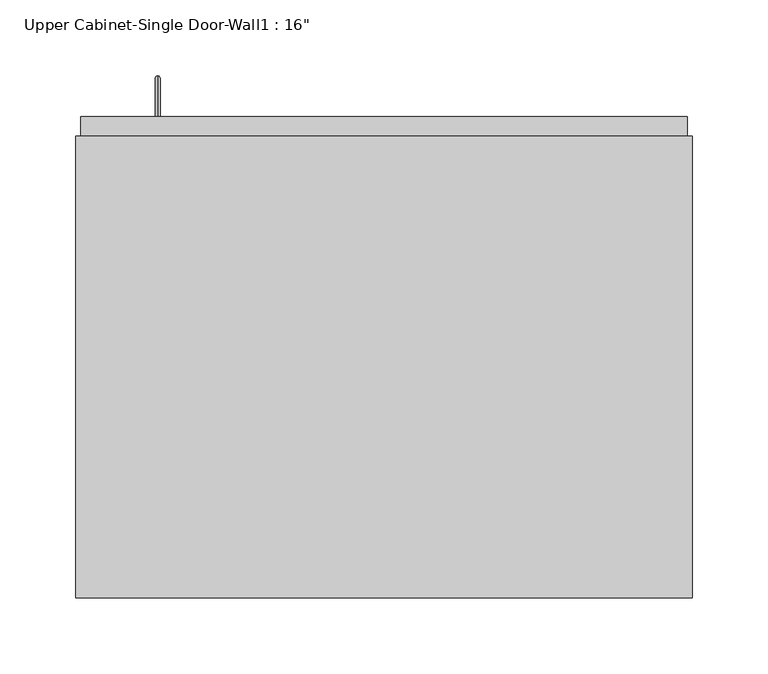
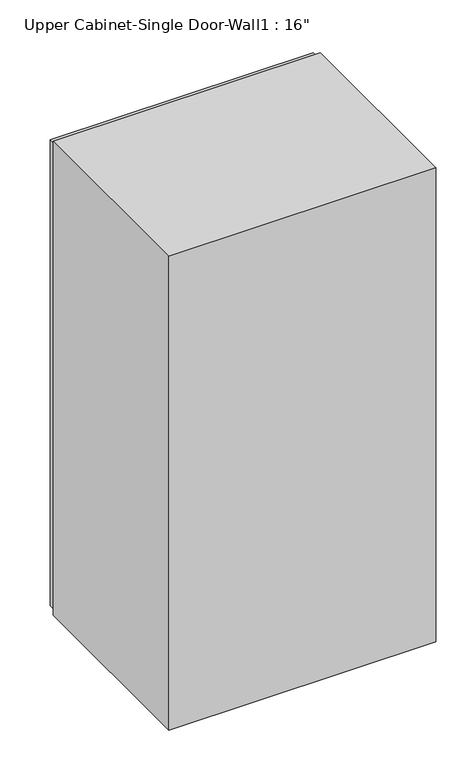
"""IFC4 building model written with IfcOpenShell, lengths in millimetres: furniture geometry."""

from ifc_helpers import new_model, si_unit, frame, origin, place, context, project, spatial, polyline, circle_curve, ellipse_curve, outline, extrude, faceted_brep, source, transform, mapped, element, save
from ifc_brep_helpers import plane_surface, cylinder_surface, advanced_brep


def furniture_f3350bb7(model_context):
    return source(origin(), model_context, "Body", "SolidModel", [
        advanced_brep(
        [(-119.4538372, 371.475, 1431.925), (-119.4538372, 371.475, 1428.75), (-119.4538372, 395.2875, 1431.925), (-119.4538372, 398.4625, 1428.75), (-119.4538372, 395.2875, 1603.375), (-119.4538372, 398.4625, 1606.55), (-119.4538372, 371.475, 1603.375), (-119.4538372, 371.475, 1606.55)],
        [
            (0, 1, circle_curve(frame((-119.4538372, 371.475, 1430.3375), z_axis=(0.0, -1.0, 0.0), x_axis=(0.0, 0.0, -1.0)), 1.5875)),
            (1, 0, circle_curve(frame((-119.4538372, 371.475, 1430.3375), z_axis=(0.0, -1.0, 0.0), x_axis=(0.0, 0.0, -1.0)), 1.5875)),
            (0, 2),
            (2, 3, ellipse_curve(frame((-119.4538372, 396.875, 1430.3375), z_axis=(0.0, -0.7071067811865498, -0.7071067811865454), x_axis=(0.0, -0.7071067811865451, 0.7071067811865498)), 2.245064, 1.5875)),
            (3, 1),
            (3, 2, ellipse_curve(frame((-119.4538372, 396.875, 1430.3375), z_axis=(0.0, -0.7071067811865498, -0.7071067811865454), x_axis=(0.0, -0.7071067811865451, 0.7071067811865498)), 2.245064, 1.5875)),
            (2, 4),
            (4, 5, ellipse_curve(frame((-119.4538372, 396.875, 1604.9625), z_axis=(0.0, 0.7071067811865452, -0.7071067811865497), x_axis=(0.0, -0.7071067811865496, -0.7071067811865455)), 2.245064, 1.5875)),
            (5, 3),
            (5, 4, ellipse_curve(frame((-119.4538372, 396.875, 1604.9625), z_axis=(0.0, 0.7071067811865452, -0.7071067811865497), x_axis=(0.0, -0.7071067811865496, -0.7071067811865455)), 2.245064, 1.5875)),
            (6, 7, circle_curve(frame((-119.4538372, 371.475, 1604.9625), z_axis=(0.0, -1.0, 0.0), x_axis=(0.0, 0.0, 1.0)), 1.5875)),
            (7, 6, circle_curve(frame((-119.4538372, 371.475, 1604.9625), z_axis=(0.0, -1.0, 0.0), x_axis=(0.0, 0.0, 1.0)), 1.5875)),
            (4, 6),
            (7, 5),
        ],
        [
            plane_surface(frame((-119.4538372, 371.475, 1430.3375), z_axis=(0.0, -1.0, 0.0), x_axis=(-1.0, 0.0, 0.0))),
            cylinder_surface(frame((-119.4538372, 371.475, 1430.3375), z_axis=(0.0, -1.0, 0.0), x_axis=(0.0, 0.0, -1.0)), 1.5875),
            cylinder_surface(frame((-119.4538372, 396.875, 1430.3375), z_axis=(0.0, 0.0, -1.0), x_axis=(0.0, 1.0, 0.0)), 1.5875),
            plane_surface(frame((-119.4538372, 371.475, 1604.9625), z_axis=(0.0, -1.0, 0.0), x_axis=(-1.0, 0.0, 0.0))),
            cylinder_surface(frame((-119.4538372, 396.875, 1604.9625), z_axis=(0.0, 1.0, 0.0), x_axis=(0.0, 0.0, 1.0)), 1.5875),
        ],
        [
            (0, [[1, 2]]),
            (1, [[-1, 3, 4, 5]]),
            (1, [[-2, -5, 6, -3]]),
            (2, [[-4, 7, 8, 9]]),
            (2, [[-6, -9, 10, -7]]),
            (3, [[11, 12]]),
            (4, [[-8, 13, -12, 14]]),
            (4, [[-10, -14, -11, -13]]),
        ],
    ),
        faceted_brep([(-173.4288372, 53.975, 2133.6), (-173.4288372, 53.975, 1371.6), (232.9711628, 53.975, 1371.6), (232.9711628, 53.975, 2133.6), (-173.4288372, 358.775, 2133.6), (232.9711628, 358.775, 2133.6), (232.9711628, 358.775, 1371.6), (-173.4288372, 358.775, 1371.6), (-154.3788372, 358.775, 2114.55), (-154.3788372, 358.775, 1390.65), (213.9211628, 358.775, 1390.65), (213.9211628, 358.775, 2114.55), (213.9211628, 73.025, 2114.55), (-154.3788372, 73.025, 2114.55), (213.9211628, 73.025, 1390.65), (-154.3788372, 73.025, 1390.65)], [[[0, 1, 2, 3]], [[4, 5, 6, 7], [8, 9, 10, 11]], [[1, 0, 4, 7]], [[2, 1, 7, 6]], [[3, 2, 6, 5]], [[0, 3, 5, 4]], [[8, 11, 12, 13]], [[11, 10, 14, 12]], [[10, 9, 15, 14]], [[9, 8, 13, 15]], [[13, 12, 14, 15]]]),
        extrude(outline(polyline([(-170.2538372, 371.475), (229.7961628, 371.475), (229.7961628, 339.725), (-170.2538372, 339.725), (-170.2538372, 371.475)])), frame((0.0, 0.0, 1377.95), z_axis=(0.0, 0.0, 1.0), x_axis=(1.0, 0.0, 0.0)), (0.0, 0.0, 1.0), 749.3),
    ])


if __name__ == "__main__":
    model = new_model("IFC4")
    model_context = context("Model", 3, world=origin())
    ifc_project = project(units=[si_unit("LENGTHUNIT", "METRE", prefix="MILLI")], contexts=[model_context])
    site = spatial("IfcSite", under=ifc_project)
    building = spatial("IfcBuilding", under=site)
    placement = place(None, origin())
    furniture_shape = furniture_f3350bb7(model_context)
    element("IfcFurniture", 1, ObjectType="Upper Cabinet-Single Door-Wall1 : 16\"", at=placement, inside=building, context=model_context, shape_type="MappedRepresentation", body=[
        mapped(furniture_shape, transform((0.0, 0.0, 0.0), x_axis=(1.0, 0.0, 0.0), y_axis=(0.0, 1.0, 0.0), z_axis=(0.0, 0.0, 1.0))),
    ])
    save(model, "model.ifc")
